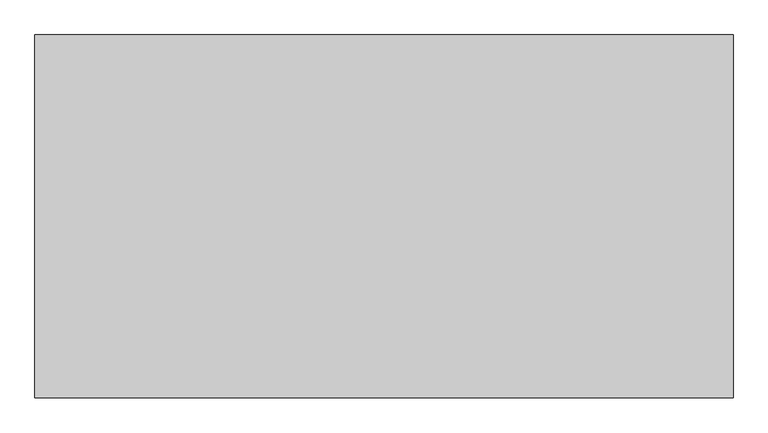
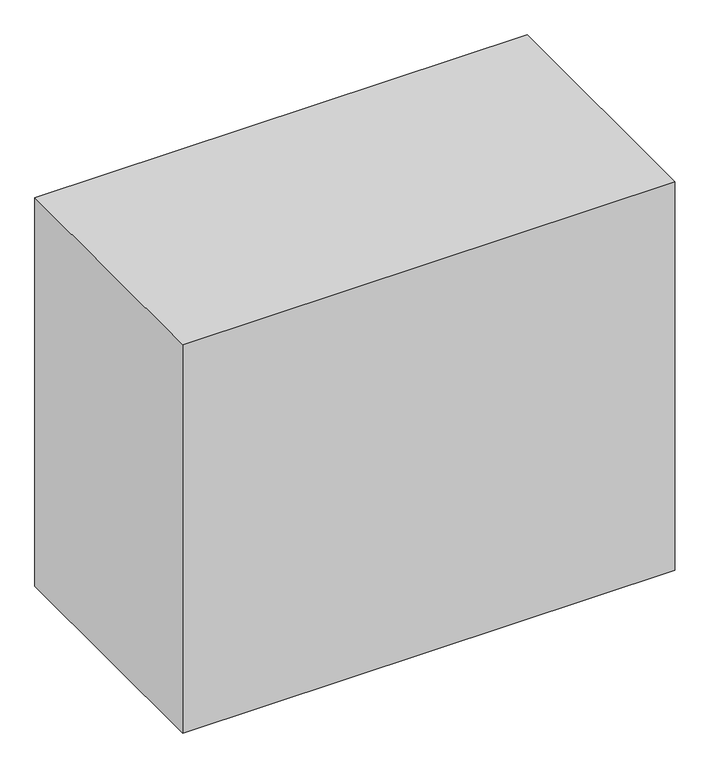
"""IFC4 building model written with IfcOpenShell, lengths in millimetres: proxy geometry."""

from ifc_helpers import new_model, si_unit, point, frame, frame_2d, origin, origin_with_axes, place, context, project, spatial, polyline, circle_curve, ellipse_curve, trimmed, segment, composite_curve, outline, extrude, source, transform, mapped, element, save
from ifc_brep_helpers import plane_surface, cylinder_surface, advanced_brep


def mechanical_equipment_d208cff5(model_context):
    return source(origin(), model_context, "Body", "SolidModel", [
        extrude(outline(polyline([(717.0, 250.0), (717.0, -390.0), (-515.0, -390.0), (-515.0, 250.0), (717.0, 250.0)])), origin_with_axes(), (0.0, 0.0, 1.0), 1028.0),
        extrude(outline(composite_curve([segment(trimmed(circle_curve(frame_2d((0.0, -1.0)), 1.0), [point((0.0, 0.0))], [point((1.0, -1.0))], False, "CARTESIAN"), True, "CONTINUOUS"), segment(polyline([(1.0, -1.0), (1.0, -20.0), (-1.0, -20.0), (-1.0, -3.0000001)]), True, "CONTINUOUS"), segment(trimmed(circle_curve(frame_2d((-2.0, -3.0000001)), 1.0), [point((-1.0, -3.0000001))], [point((-2.0, -2.0000001))], True, "CARTESIAN"), True, "CONTINUOUS"), segment(polyline([(-2.0, -2.0000001), (-76.0, -2.0000001)]), True, "CONTINUOUS"), segment(trimmed(circle_curve(frame_2d((-76.0, -3.0000001)), 1.0), [point((-76.0, -2.0000001))], [point((-77.0, -3.0000001))], True, "CARTESIAN"), True, "CONTINUOUS"), segment(polyline([(-77.0, -3.0000001), (-77.0, -20.0), (-79.0, -20.0), (-79.0, -1.0)]), True, "CONTINUOUS"), segment(trimmed(circle_curve(frame_2d((-78.0, -1.0)), 1.0), [point((-79.0, -1.0))], [point((-78.0, 0.0))], False, "CARTESIAN"), True, "CONTINUOUS"), segment(polyline([(-78.0, 0.0), (0.0, 0.0)]), True, "CONTINUOUS")], self_intersect=False)), frame((422.6107985, -39.0, 596.8398636), z_axis=(-0.8660254037844368, 0.0, 0.5000000000000033), x_axis=(0.0, -1.0, 0.0)), (0.0, 0.0, 1.0), 36.0276195),
        extrude(outline(composite_curve([segment(polyline([(204.2468522, -155.0), (204.2468522, -170.0)]), True, "CONTINUOUS"), segment(trimmed(circle_curve(frame_2d((184.2468522, -170.0)), 20.0), [point((204.2468522, -170.0))], [point((184.2468522, -190.0))], False, "CARTESIAN"), True, "CONTINUOUS"), segment(polyline([(184.2468522, -190.0), (-335.7531478, -190.0)]), True, "CONTINUOUS"), segment(trimmed(circle_curve(frame_2d((-335.7531478, -170.0)), 20.0), [point((-335.7531478, -190.0))], [point((-355.7531478, -170.0))], False, "CARTESIAN"), True, "CONTINUOUS"), segment(polyline([(-355.7531478, -170.0), (-355.7531478, -155.0), (204.2468522, -155.0)]), True, "CONTINUOUS")], self_intersect=False)), frame((0.0, 0.0, 40.5), z_axis=(0.0, 0.0, 1.0), x_axis=(1.0, 0.0, 0.0)), (0.0, 0.0, 1.0), 560.0),
        advanced_brep(
        [(-374.0, 150.0, 628.0), (-399.0, 125.0, 628.0), (-399.0, -130.0, 628.0), (-374.0, -155.0, 628.0), (374.0, -155.0, 628.0), (399.0, -130.0, 628.0), (399.0, 125.0, 628.0), (374.0, 150.0, 628.0), (-374.0, 150.0, 616.0), (374.0, 150.0, 616.0), (399.0, 125.0, 616.0), (399.0, -130.0, 616.0), (374.0, -155.0, 616.0), (-374.0, -155.0, 616.0), (-399.0, -130.0, 616.0), (-399.0, -56.0, 616.0), (-407.0918831, -47.9081169, 616.0), (-415.0, -28.8162338, 616.0), (-415.0, 28.8182611, 616.0), (-407.0933166, 47.9066834, 616.0), (-399.0, 56.0, 616.0), (-399.0, 125.0, 616.0), (-399.0, 56.0, 626.0), (-399.0, -56.0, 626.0), (-415.0, -28.8162338, 626.0), (-407.0918831, -47.9081169, 626.0), (-407.0933166, 47.9066834, 626.0), (-415.0, 28.8182611, 626.0)],
        [
            (0, 1, circle_curve(frame((-374.0, 125.0, 628.0), z_axis=(0.0, 0.0, 1.0), x_axis=(1.0, 0.0, 0.0)), 25.0)),
            (1, 2),
            (2, 3, circle_curve(frame((-374.0, -130.0, 628.0), z_axis=(0.0, 0.0, 1.0), x_axis=(1.0, 0.0, 0.0)), 25.0)),
            (3, 4),
            (4, 5, circle_curve(frame((374.0, -130.0, 628.0), z_axis=(0.0, 0.0, 1.0), x_axis=(1.0, 0.0, 0.0)), 25.0)),
            (5, 6),
            (6, 7, circle_curve(frame((374.0, 125.0, 628.0), z_axis=(0.0, 0.0, 1.0), x_axis=(1.0, 0.0, 0.0)), 25.0)),
            (7, 0),
            (8, 9),
            (9, 10, circle_curve(frame((374.0, 125.0, 616.0), z_axis=(0.0, 0.0, -1.0), x_axis=(1.0, 0.0, 0.0)), 25.0)),
            (10, 11),
            (11, 12, circle_curve(frame((374.0, -130.0, 616.0), z_axis=(0.0, 0.0, -1.0), x_axis=(1.0, 0.0, 0.0)), 25.0)),
            (12, 13),
            (13, 14, circle_curve(frame((-374.0, -130.0, 616.0), z_axis=(0.0, 0.0, -1.0), x_axis=(1.0, 0.0, 0.0)), 25.0)),
            (14, 15),
            (15, 16),
            (16, 17, circle_curve(frame((-388.0, -28.8162338, 616.0), z_axis=(0.0, 0.0, -1.0), x_axis=(1.0, 0.0, 0.0)), 27.0)),
            (17, 18),
            (18, 19, circle_curve(frame((-388.0048943, 28.8182611, 616.0), z_axis=(0.0, 0.0, -1.0), x_axis=(1.0, 0.0, 0.0)), 26.9951057)),
            (19, 20),
            (20, 21),
            (21, 8, circle_curve(frame((-374.0, 125.0, 616.0), z_axis=(0.0, 0.0, -1.0), x_axis=(1.0, 0.0, 0.0)), 25.0)),
            (1, 21),
            (20, 22),
            (22, 23),
            (23, 15),
            (14, 2),
            (3, 13),
            (12, 4),
            (5, 11),
            (10, 6),
            (7, 9),
            (8, 0),
            (24, 25, circle_curve(frame((-388.0, -28.8162338, 626.0), z_axis=(0.0, 0.0, 1.0), x_axis=(1.0, 0.0, 0.0)), 27.0)),
            (25, 23),
            (22, 26),
            (26, 27, circle_curve(frame((-388.0048943, 28.8182611, 626.0), z_axis=(0.0, 0.0, 1.0), x_axis=(1.0, 0.0, 0.0)), 26.9951057)),
            (27, 24),
            (24, 17),
            (16, 25),
            (19, 26),
            (18, 27),
        ],
        [
            plane_surface(frame((-349.0, 125.0, 628.0), z_axis=(0.0, 0.0, 1.0), x_axis=(0.0, 1.0, 0.0))),
            plane_surface(frame((-349.0, 125.0, 616.0), z_axis=(0.0, 0.0, -1.0), x_axis=(0.0, -1.0, 0.0))),
            plane_surface(frame((-399.0, 125.0, 628.0), z_axis=(-1.0, 0.0, 0.0), x_axis=(0.0, 0.0, -1.0))),
            plane_surface(frame((-374.0, -155.0, 628.0), z_axis=(0.0, -1.0, 0.0), x_axis=(0.0, 0.0, -1.0))),
            plane_surface(frame((399.0, -130.0, 628.0), z_axis=(1.0, 0.0, 0.0), x_axis=(0.0, 0.0, -1.0))),
            plane_surface(frame((374.0, 150.0, 628.0), z_axis=(0.0, 1.0, 0.0), x_axis=(0.0, 0.0, -1.0))),
            cylinder_surface(frame((-374.0, 125.0, 616.0), z_axis=(0.0, 0.0, 1.0), x_axis=(1.0, 0.0, 0.0)), 25.0),
            cylinder_surface(frame((-374.0, -130.0, 616.0), z_axis=(0.0, 0.0, 1.0), x_axis=(1.0, 0.0, 0.0)), 25.0),
            cylinder_surface(frame((374.0, -130.0, 616.0), z_axis=(0.0, 0.0, 1.0), x_axis=(1.0, 0.0, 0.0)), 25.0),
            cylinder_surface(frame((374.0, 125.0, 616.0), z_axis=(0.0, 0.0, 1.0), x_axis=(1.0, 0.0, 0.0)), 25.0),
            plane_surface(frame((-361.0, -28.8162338, 626.0), z_axis=(0.0, 0.0, 1.0), x_axis=(0.0, 1.0, 0.0))),
            cylinder_surface(frame((-388.0, -28.8162338, 616.0), z_axis=(0.0, 0.0, 1.0), x_axis=(1.0, 0.0, 0.0)), 27.0),
            plane_surface(frame((-407.0918831, -47.9081169, 626.0), z_axis=(-0.707106781186535, -0.7071067811865601, 0.0), x_axis=(0.0, 0.0, -1.0))),
            plane_surface(frame((-399.0, 56.0, 626.0), z_axis=(-0.7071067811865472, 0.707106781186548, 0.0), x_axis=(0.0, 0.0, -1.0))),
            cylinder_surface(frame((-388.0048943, 28.8182611, 616.0), z_axis=(0.0, 0.0, 1.0), x_axis=(1.0, 0.0, 0.0)), 26.9951057),
            plane_surface(frame((-415.0, 28.8182611, 626.0), z_axis=(-1.0, 0.0, 0.0), x_axis=(0.0, 0.0, -1.0))),
        ],
        [
            (0, [[1, 2, 3, 4, 5, 6, 7, 8]]),
            (1, [[9, 10, 11, 12, 13, 14, 15, 16, 17, 18, 19, 20, 21, 22]]),
            (2, [[-2, 23, -21, 24, 25, 26, -15, 27]]),
            (3, [[-4, 28, -13, 29]]),
            (4, [[-6, 30, -11, 31]]),
            (5, [[-8, 32, -9, 33]]),
            (6, [[-1, -33, -22, -23]]),
            (7, [[-3, -27, -14, -28]]),
            (8, [[-5, -29, -12, -30]]),
            (9, [[-7, -31, -10, -32]]),
            (10, [[34, 35, -25, 36, 37, 38]]),
            (11, [[-34, 39, -17, 40]]),
            (12, [[-35, -40, -16, -26]]),
            (13, [[-36, -24, -20, 41]]),
            (14, [[-37, -41, -19, 42]]),
            (15, [[-38, -42, -18, -39]]),
        ],
    ),
        advanced_brep(
        [(-374.0, 150.0, 615.0), (-399.0, 125.0, 615.0), (-399.0, -130.0, 615.0), (-374.0, -155.0, 615.0), (374.0, -155.0, 615.0), (399.0, -130.0, 615.0), (399.0, 125.0, 615.0), (374.0, 150.0, 615.0), (-374.0, 150.0, 21.0), (374.0, 150.0, 21.0), (399.0, 125.0, 21.0), (399.0, 87.0463617, 21.0), (399.0, -92.9536383, 21.0), (399.0, -130.0, 21.0), (374.0, -155.0, 21.0), (-374.0, -155.0, 21.0), (-399.0, -130.0, 21.0), (-399.0, 125.0, 21.0), (399.0, -92.9536383, 599.8270846), (399.0, 87.0463617, 599.8270846), (413.0, 87.0463617, 599.8270846), (413.0, 87.0463617, 263.4692564), (442.0, 87.0463617, 255.6987298), (450.8375783, 87.0463617, 253.3307078), (450.8375783, 87.0463617, 72.8375783), (442.0, 87.0463617, 64.0), (413.0, -92.9536383, 263.4692564), (413.0, -92.9536383, 599.8270846), (442.0, -92.9536383, 64.0), (452.0, -92.9536383, 74.0), (452.0, -92.9536383, 253.0192379), (442.0, -92.9536383, 255.6987298), (467.0, 70.88394, 89.0), (467.0, 62.0463617, 89.0), (467.0, -67.9536383, 89.0), (467.0, -77.9536383, 89.0), (467.0, -77.9536383, 249.0), (467.0, -67.9536383, 249.0), (467.0, 62.0463617, 249.0), (467.0, 70.88394, 249.0)],
        [
            (0, 1, circle_curve(frame((-374.0, 125.0, 615.0), z_axis=(0.0, 0.0, 1.0), x_axis=(1.0, 0.0, 0.0)), 25.0)),
            (1, 2),
            (2, 3, circle_curve(frame((-374.0, -130.0, 615.0), z_axis=(0.0, 0.0, 1.0), x_axis=(1.0, 0.0, 0.0)), 25.0)),
            (3, 4),
            (4, 5, circle_curve(frame((374.0, -130.0, 615.0), z_axis=(0.0, 0.0, 1.0), x_axis=(1.0, 0.0, 0.0)), 25.0)),
            (5, 6),
            (6, 7, circle_curve(frame((374.0, 125.0, 615.0), z_axis=(0.0, 0.0, 1.0), x_axis=(1.0, 0.0, 0.0)), 25.0)),
            (7, 0),
            (8, 9),
            (9, 10, circle_curve(frame((374.0, 125.0, 21.0), z_axis=(0.0, 0.0, -1.0), x_axis=(1.0, 0.0, 0.0)), 25.0)),
            (10, 11),
            (11, 12),
            (12, 13),
            (13, 14, circle_curve(frame((374.0, -130.0, 21.0), z_axis=(0.0, 0.0, -1.0), x_axis=(1.0, 0.0, 0.0)), 25.0)),
            (14, 15),
            (15, 16, circle_curve(frame((-374.0, -130.0, 21.0), z_axis=(0.0, 0.0, -1.0), x_axis=(1.0, 0.0, 0.0)), 25.0)),
            (16, 17),
            (17, 8, circle_curve(frame((-374.0, 125.0, 21.0), z_axis=(0.0, 0.0, -1.0), x_axis=(1.0, 0.0, 0.0)), 25.0)),
            (1, 17),
            (16, 2),
            (3, 15),
            (14, 4),
            (5, 13),
            (12, 18),
            (18, 19),
            (19, 11),
            (10, 6),
            (7, 9),
            (8, 0),
            (19, 20),
            (20, 21),
            (21, 22),
            (22, 23),
            (23, 24),
            (24, 25),
            (25, 11),
            (26, 27),
            (27, 18),
            (12, 28),
            (28, 29),
            (29, 30),
            (30, 31),
            (31, 26),
            (24, 32, ellipse_curve(frame((450.8375783, 70.88394, 72.8375783), z_axis=(0.7071067811865736, 0.0, -0.7071067811865215), x_axis=(-0.7071067811865215, 0.0, -0.7071067811865737)), 22.8571159, 16.1624217)),
            (32, 33),
            (33, 34),
            (34, 35),
            (35, 29, ellipse_curve(frame((452.0, -77.9536383, 74.0), z_axis=(0.7071067811865736, 0.0, -0.7071067811865215), x_axis=(-0.7071067811865215, 0.0, -0.7071067811865737)), 21.2132034, 15.0)),
            (27, 20),
            (26, 21),
            (30, 36, ellipse_curve(frame((452.0, -77.9536383, 253.0192379), z_axis=(0.25881904510255266, 0.0, 0.9659258262890598), x_axis=(0.9659258262890598, 0.0, -0.25881904510255244)), 15.5291427, 15.0)),
            (36, 37),
            (37, 38),
            (38, 39),
            (39, 23, ellipse_curve(frame((450.8375783, 70.88394, 253.3307078), z_axis=(0.25881904510255266, 0.0, 0.9659258262890598), x_axis=(0.9659258262890598, 0.0, -0.25881904510255244)), 16.7325702, 16.1624217)),
            (32, 39),
            (36, 35),
        ],
        [
            plane_surface(frame((-349.0, 125.0, 615.0), z_axis=(0.0, 0.0, 1.0), x_axis=(0.0, 1.0, 0.0))),
            plane_surface(frame((-349.0, 125.0, 21.0), z_axis=(0.0, 0.0, -1.0), x_axis=(0.0, -1.0, 0.0))),
            plane_surface(frame((-399.0, 125.0, 615.0), z_axis=(-1.0, 0.0, 0.0), x_axis=(0.0, 0.0, -1.0))),
            plane_surface(frame((-374.0, -155.0, 615.0), z_axis=(0.0, -1.0, 0.0), x_axis=(0.0, 0.0, -1.0))),
            plane_surface(frame((399.0, -130.0, 615.0), z_axis=(1.0, 0.0, 0.0), x_axis=(0.0, 0.0, -1.0))),
            plane_surface(frame((374.0, 150.0, 615.0), z_axis=(0.0, 1.0, 0.0), x_axis=(0.0, 0.0, -1.0))),
            cylinder_surface(frame((-374.0, 125.0, 21.0), z_axis=(0.0, 0.0, 1.0), x_axis=(1.0, 0.0, 0.0)), 25.0),
            cylinder_surface(frame((-374.0, -130.0, 21.0), z_axis=(0.0, 0.0, 1.0), x_axis=(1.0, 0.0, 0.0)), 25.0),
            cylinder_surface(frame((374.0, -130.0, 21.0), z_axis=(0.0, 0.0, 1.0), x_axis=(1.0, 0.0, 0.0)), 25.0),
            cylinder_surface(frame((374.0, 125.0, 21.0), z_axis=(0.0, 0.0, 1.0), x_axis=(1.0, 0.0, 0.0)), 25.0),
            plane_surface(frame((399.0, 87.0463617, 21.0), z_axis=(0.0, 1.0, 0.0), x_axis=(-0.7071067811865215, 0.0, -0.7071067811865736))),
            plane_surface(frame((399.0, -92.9536383, 21.0), z_axis=(0.0, -1.0, 0.0), x_axis=(0.7071067811865215, 0.0, 0.7071067811865736))),
            plane_surface(frame((467.0, 87.0463617, 89.0), z_axis=(0.7071067811865736, 0.0, -0.7071067811865215), x_axis=(0.0, -1.0, 0.0))),
            plane_surface(frame((399.0, 87.0463617, 599.8270846), z_axis=(0.0, 0.0, 1.0), x_axis=(0.0, -1.0, 0.0))),
            plane_surface(frame((413.0, 87.0463617, 599.8270846), z_axis=(1.0, 0.0, 0.0), x_axis=(0.0, -1.0, 0.0))),
            plane_surface(frame((413.0, 87.0463617, 263.4692564), z_axis=(0.25881904510255266, 0.0, 0.9659258262890598), x_axis=(0.0, -1.0, 0.0))),
            plane_surface(frame((467.0, 87.0463617, 249.0), z_axis=(1.0, 0.0, 0.0), x_axis=(0.0, -1.0, 0.0))),
            cylinder_surface(frame((450.8375783, 70.88394, 21.0), z_axis=(0.0, 0.0, -1.0), x_axis=(1.0, 0.0, 0.0)), 16.1624217),
            cylinder_surface(frame((452.0, -77.9536383, 0.0), z_axis=(0.0, 0.0, -1.0), x_axis=(1.0, 0.0, 0.0)), 15.0),
        ],
        [
            (0, [[1, 2, 3, 4, 5, 6, 7, 8]]),
            (1, [[9, 10, 11, 12, 13, 14, 15, 16, 17, 18]]),
            (2, [[-2, 19, -17, 20]]),
            (3, [[-4, 21, -15, 22]]),
            (4, [[-6, 23, -13, 24, 25, 26, -11, 27]]),
            (5, [[-8, 28, -9, 29]]),
            (6, [[-1, -29, -18, -19]]),
            (7, [[-3, -20, -16, -21]]),
            (8, [[-5, -22, -14, -23]]),
            (9, [[-7, -27, -10, -28]]),
            (10, [[30, 31, 32, 33, 34, 35, 36, -26]]),
            (11, [[37, 38, -24, 39, 40, 41, 42, 43]]),
            (12, [[-36, -35, 44, 45, 46, 47, 48, -40, -39, -12]]),
            (13, [[-30, -25, -38, 49]]),
            (14, [[-31, -49, -37, 50]]),
            (15, [[-50, -43, -42, 51, 52, 53, 54, 55, -33, -32]]),
            (16, [[-46, -45, 56, -54, -53, -52, 57, -47]]),
            (17, [[-34, -55, -56, -44]]),
            (18, [[-41, -48, -57, -51]]),
        ],
    ),
        extrude(outline(composite_curve([segment(polyline([(-389.0, -130.0), (-389.0, 125.0)]), True, "CONTINUOUS"), segment(trimmed(circle_curve(frame_2d((-374.0, 125.0)), 15.0), [point((-389.0, 125.0))], [point((-374.0, 140.0))], False, "CARTESIAN"), True, "CONTINUOUS"), segment(polyline([(-374.0, 140.0), (374.0, 140.0)]), True, "CONTINUOUS"), segment(trimmed(circle_curve(frame_2d((374.0, 125.0)), 15.0), [point((374.0, 140.0))], [point((389.0, 125.0))], False, "CARTESIAN"), True, "CONTINUOUS"), segment(polyline([(389.0, 125.0), (389.0, -130.0)]), True, "CONTINUOUS"), segment(trimmed(circle_curve(frame_2d((374.0, -130.0)), 15.0), [point((389.0, -130.0))], [point((374.0, -145.0))], False, "CARTESIAN"), True, "CONTINUOUS"), segment(polyline([(374.0, -145.0), (-374.0, -145.0)]), True, "CONTINUOUS"), segment(trimmed(circle_curve(frame_2d((-374.0, -130.0)), 15.0), [point((-374.0, -145.0))], [point((-389.0, -130.0))], False, "CARTESIAN"), True, "CONTINUOUS")], self_intersect=False)), frame((0.0, 0.0, 615.0), z_axis=(0.0, 0.0, 1.0), x_axis=(1.0, 0.0, 0.0)), (0.0, 0.0, 1.0), 1.0),
        extrude(outline(polyline([(170.0, 7.0), (170.0, 0.0), (132.1005051, 0.0), (112.2041787, 14.0), (-129.7041787, 14.0), (-149.6005051, 0.0), (-170.0, 0.0), (-170.0, 7.0), (-152.5, 7.0), (-132.6036736, 21.0), (115.1036736, 21.0), (135.0, 7.0), (170.0, 7.0)])), frame((225.0, 0.0, 0.0), z_axis=(1.0, 0.0, 0.0), x_axis=(0.0, 1.0, 0.0)), (0.0, 0.0, 1.0), 50.0),
        extrude(outline(polyline([(170.0, 7.0), (170.0, 0.0), (132.1005051, 0.0), (112.2041787, 14.0), (-129.7041787, 14.0), (-149.6005051, 0.0), (-170.0, 0.0), (-170.0, 7.0), (-152.5, 7.0), (-132.6036736, 21.0), (115.1036736, 21.0), (135.0, 7.0), (170.0, 7.0)])), frame((-278.0, 0.0, 0.0), z_axis=(1.0, 0.0, 0.0), x_axis=(0.0, 1.0, 0.0)), (0.0, 0.0, 1.0), 50.0),
        extrude(outline(composite_curve([segment(trimmed(circle_curve(frame_2d((169.0, 419.0)), 4.76), [point((169.0, 423.76))], [point((169.0, 414.24))], False, "CARTESIAN"), True, "CONTINUOUS"), segment(trimmed(circle_curve(frame_2d((169.0, 419.0)), 4.76), [point((169.0, 414.24))], [point((169.0, 423.76))], False, "CARTESIAN"), True, "CONTINUOUS")], self_intersect=False)), frame((0.0, 0.0, 0.0), z_axis=(0.0, 1.0, 0.0), x_axis=(0.0, 0.0, 1.0)), (0.0, 0.0, 1.0), 69.0),
        extrude(outline(composite_curve([segment(trimmed(circle_curve(frame_2d((108.0, 419.0)), 7.94), [point((108.0, 426.94))], [point((108.0, 411.06))], False, "CARTESIAN"), True, "CONTINUOUS"), segment(trimmed(circle_curve(frame_2d((108.0, 419.0)), 7.94), [point((108.0, 411.06))], [point((108.0, 426.94))], False, "CARTESIAN"), True, "CONTINUOUS")], self_intersect=False)), frame((0.0, 0.0, 0.0), z_axis=(0.0, 1.0, 0.0), x_axis=(0.0, 0.0, 1.0)), (0.0, 0.0, 1.0), 69.0),
        extrude(outline(composite_curve([segment(trimmed(circle_curve(frame_2d((314.0, -75.7531478)), 80.0), [point((314.0, 4.2468522))], [point((314.0, -155.7531478))], False, "CARTESIAN"), True, "CONTINUOUS"), segment(trimmed(circle_curve(frame_2d((314.0, -75.7531478)), 80.0), [point((314.0, -155.7531478))], [point((314.0, 4.2468522))], False, "CARTESIAN"), True, "CONTINUOUS")], self_intersect=False)), frame((0.0, -189.5964215, 0.0), z_axis=(0.0, 1.0, 0.0), x_axis=(0.0, 0.0, 1.0)), (0.0, 0.0, 1.0), 34.5964215),
    ])


if __name__ == "__main__":
    model = new_model("IFC4")
    model_context = context("Model", 3, world=origin())
    ifc_project = project(units=[si_unit("LENGTHUNIT", "METRE", prefix="MILLI")], contexts=[model_context])
    site = spatial("IfcSite", under=ifc_project)
    building = spatial("IfcBuilding", under=site)
    placement = place(None, origin())
    mechanical_equipment_shape = mechanical_equipment_d208cff5(model_context)
    element("IfcBuildingElementProxy", 1, Name="Mechanical Equipment", at=placement, inside=building, context=model_context, shape_type="MappedRepresentation", body=[
        mapped(mechanical_equipment_shape, transform((0.0, 0.0, 0.0), x_axis=(1.0, 0.0, 0.0), y_axis=(0.0, 1.0, 0.0), z_axis=(0.0, 0.0, 1.0))),
    ])
    save(model, "model.ifc")
